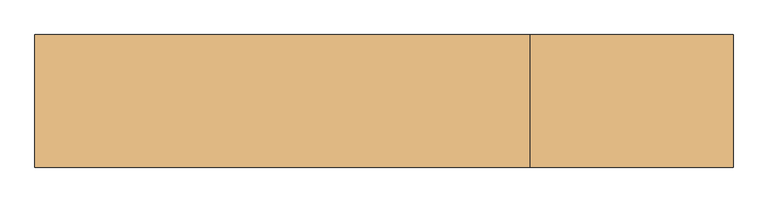
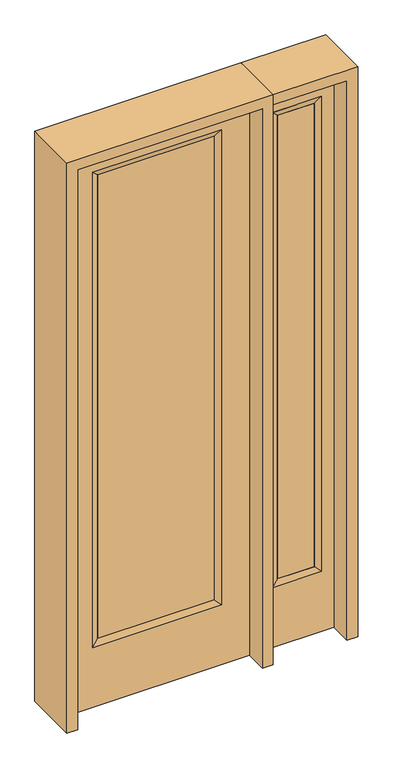
"""IFC4 building model written with IfcOpenShell, lengths in millimetres: door geometry."""

from ifc_helpers import new_model, si_unit, frame, origin, place, context, project, spatial, polyline, outline, extrude, faceted_brep, source, transform, mapped, element, save


def door_d7de21a0(model_context):
    return source(origin(), model_context, "Body", "SolidModel", [
        extrude(outline(polyline([(240.1824, -12.7039749), (-240.1824, -12.7039749), (-240.1824, 14.2875), (240.1824, 14.2875), (240.1824, -12.7039749)])), frame((0.0, 0.0, 285.75), z_axis=(0.0, 0.0, 1.0), x_axis=(1.0, 0.0, 0.0)), (0.0, 0.0, 1.0), 2019.3),
        faceted_brep([(240.1824, 14.2875, 2305.05), (265.5824, 22.225, 2330.45), (265.5824, 22.225, 260.35), (240.1824, 14.2875, 285.75), (265.5824, -22.225, 2330.45), (265.5824, -22.225, 260.35), (-265.5824, 22.225, 260.35), (-240.1824, 14.2875, 285.75), (240.1824, -12.7039749, 2305.05), (240.1824, -12.7039749, 285.75), (-240.1824, -12.7039749, 285.75), (-265.5824, -22.225, 260.35), (-265.5824, 22.225, 2330.45), (-240.1824, 14.2875, 2305.05), (-240.1824, -12.7039749, 2305.05), (-265.5824, -22.225, 2330.45)], [[[0, 1, 2, 3]], [[1, 4, 5, 2]], [[3, 2, 6, 7]], [[8, 0, 3, 9]], [[9, 3, 7, 10]], [[4, 8, 9, 5]], [[5, 9, 10, 11]], [[2, 5, 11, 6]], [[7, 6, 12, 13]], [[10, 7, 13, 14]], [[11, 10, 14, 15]], [[6, 11, 15, 12]], [[13, 12, 1, 0]], [[14, 13, 0, 8]], [[15, 14, 8, 4]], [[12, 15, 4, 1]]]),
        extrude(outline(polyline([(0.0, -381.0), (0.0, 381.0), (2438.4, 381.0), (2438.4, -381.0), (0.0, -381.0)]), holes=[polyline([(260.35, -265.5824), (2330.45, -265.5824), (2330.45, 265.5824), (260.35, 265.5824), (260.35, -265.5824)])]), frame((0.0, -22.225, 0.0), z_axis=(0.0, 1.0, 0.0), x_axis=(0.0, 0.0, 1.0)), (0.0, 0.0, 1.0), 44.45),
        faceted_brep([(476.25, 20.6375, 2330.45), (476.25, 20.6375, 260.35), (476.25, -20.6375, 260.35), (476.25, -20.6375, 2330.45), (501.65, -12.7, 285.75), (501.65, -12.7, 2305.05), (679.45, 20.6375, 260.35), (679.45, -20.6375, 260.35), (501.65, 12.7, 2305.05), (501.65, 12.7, 285.75), (654.05, 12.7, 285.75), (654.05, -12.7, 285.75), (679.45, 20.6375, 2330.45), (679.45, -20.6375, 2330.45), (654.05, 12.7, 2305.05), (654.05, -12.7, 2305.05)], [[[0, 1, 2, 3]], [[3, 2, 4, 5]], [[1, 6, 7, 2]], [[8, 9, 1, 0]], [[9, 10, 6, 1]], [[5, 4, 9, 8]], [[4, 11, 10, 9]], [[2, 7, 11, 4]], [[6, 12, 13, 7]], [[10, 14, 12, 6]], [[11, 15, 14, 10]], [[7, 13, 15, 11]], [[12, 0, 3, 13]], [[14, 8, 0, 12]], [[15, 5, 8, 14]], [[13, 3, 5, 15]]]),
        extrude(outline(polyline([(0.0, 730.25), (2438.4, 730.25), (2438.4, 425.45), (0.0, 425.45), (0.0, 730.25)]), holes=[polyline([(2330.45, 476.25), (2330.45, 679.45), (260.35, 679.45), (260.35, 476.25), (2330.45, 476.25)])]), frame((0.0, -20.6375, 0.0), z_axis=(0.0, 1.0, 0.0), x_axis=(0.0, 0.0, 1.0)), (0.0, 0.0, 1.0), 41.275),
        extrude(outline(polyline([(501.65, -12.7), (501.65, 12.7), (654.05, 12.7), (654.05, -12.7), (501.65, -12.7)])), frame((0.0, 0.0, 284.95625), z_axis=(0.0, 0.0, 1.0), x_axis=(1.0, 0.0, 0.0)), (0.0, 0.0, 1.0), 2020.09375),
        extrude(outline(polyline([(2482.85, -425.45), (0.0, -425.45), (0.0, -381.0), (2438.4, -381.0), (2438.4, 381.0), (0.0, 381.0), (0.0, 425.45), (2482.85, 425.45), (2482.85, -425.45)])), frame((0.0, -114.3, 0.0), z_axis=(0.0, 1.0, 0.0), x_axis=(0.0, 0.0, 1.0)), (0.0, 0.0, 1.0), 228.6),
        extrude(outline(polyline([(0.0, 730.25), (0.0, 774.7), (2482.85, 774.7), (2482.85, 425.45), (2438.4, 425.45), (2438.4, 730.25), (0.0, 730.25)])), frame((0.0, -114.3, 0.0), z_axis=(0.0, 1.0, 0.0), x_axis=(0.0, 0.0, 1.0)), (0.0, 0.0, 1.0), 228.6),
    ])


if __name__ == "__main__":
    model = new_model("IFC4")
    model_context = context("Model", 3, world=origin())
    ifc_project = project(units=[si_unit("LENGTHUNIT", "METRE", prefix="MILLI")], contexts=[model_context])
    site = spatial("IfcSite", under=ifc_project)
    building = spatial("IfcBuilding", under=site)
    placement = place(None, origin())
    door_shape = door_d7de21a0(model_context)
    element("IfcDoor", 1, at=placement, inside=building, context=model_context, shape_type="MappedRepresentation", body=[
        mapped(door_shape, transform((0.0, 0.0, 0.0), x_axis=(1.0, 0.0, 0.0), y_axis=(0.0, 1.0, 0.0), z_axis=(0.0, 0.0, 1.0))),
    ])
    save(model, "model.ifc")
